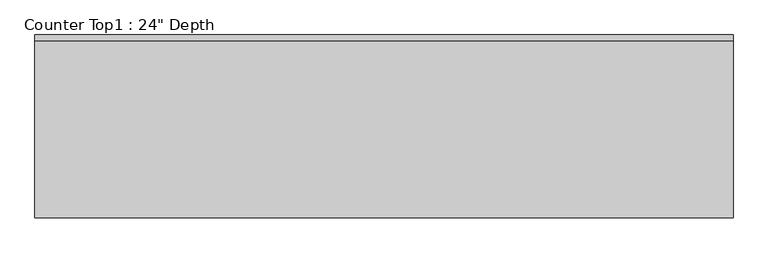
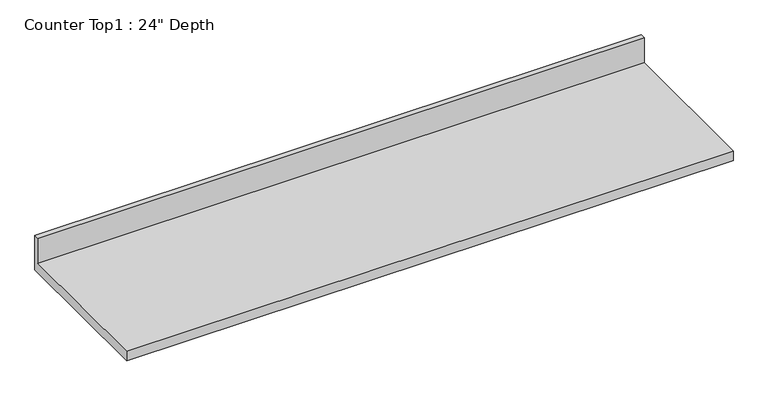
"""IFC4 building model written with IfcOpenShell, lengths in millimetres: furniture geometry."""

from ifc_helpers import new_model, si_unit, frame, origin, place, context, project, spatial, polyline, outline, extrude, source, transform, mapped, element, save


def furniture_5091f983(model_context):
    return source(origin(), model_context, "Body", "SweptSolid", [
        extrude(outline(polyline([(0.0, 1016.0), (0.0, 876.3), (-609.6, 876.3), (-609.6, 914.4), (-19.05, 914.4), (-19.05, 1016.0), (0.0, 1016.0)])), frame((-1200.4622951, 0.0, 0.0), z_axis=(1.0, 0.0, 0.0), x_axis=(0.0, 1.0, 0.0)), (0.0, 0.0, 1.0), 2325.0233242),
    ])


if __name__ == "__main__":
    model = new_model("IFC4")
    model_context = context("Model", 3, world=origin())
    ifc_project = project(units=[si_unit("LENGTHUNIT", "METRE", prefix="MILLI")], contexts=[model_context])
    site = spatial("IfcSite", under=ifc_project)
    building = spatial("IfcBuilding", under=site)
    placement = place(None, origin())
    furniture_shape = furniture_5091f983(model_context)
    element("IfcFurniture", 1, ObjectType="Counter Top1 : 24\" Depth", at=placement, inside=building, context=model_context, shape_type="MappedRepresentation", body=[
        mapped(furniture_shape, transform((0.0, 0.0, 0.0), x_axis=(1.0, 0.0, 0.0), y_axis=(0.0, 1.0, 0.0), z_axis=(0.0, 0.0, 1.0))),
    ])
    save(model, "model.ifc")
